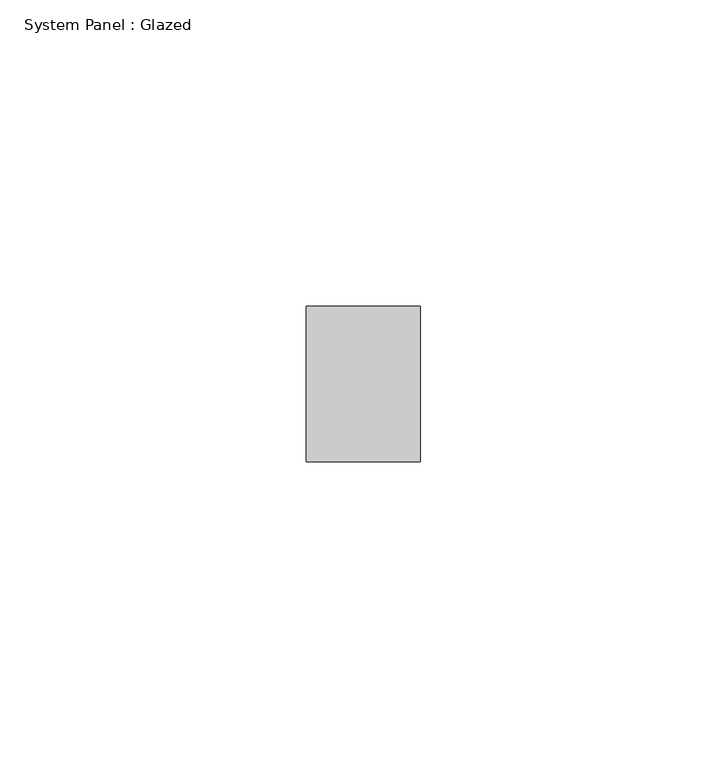
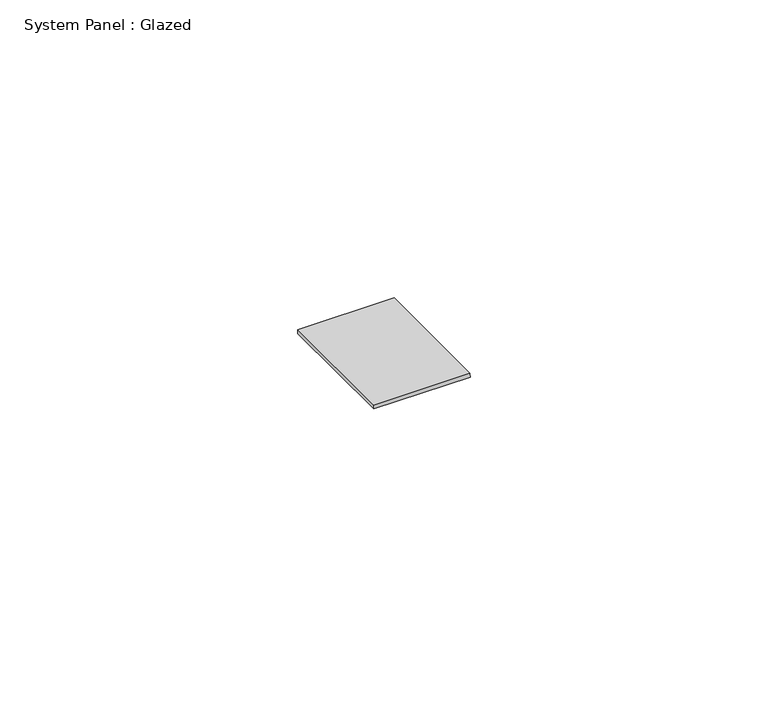
"""IFC4 building model written with IfcOpenShell, lengths in millimetres: plate geometry, System Panel : Glazed."""

from ifc_helpers import new_model, si_unit, origin, place, context, project, spatial, faceted_brep, source, transform, mapped, element, save


def system_panel_glazed_1c99b268(model_context):
    return source(origin(), model_context, "Body", "Brep", [
        faceted_brep([(-9.3282831, -12.7, 0.0), (9.3441581, -12.7, 0.0), (9.3282831, -12.7, 0.7941147), (-9.3282831, -12.7, 0.7941147), (-9.3282831, 12.7, 0.0), (-9.3282831, 12.7, 0.7941147), (9.3282831, 12.7, 0.7941147), (9.3282831, 12.7, 0.0)], [[[0, 1, 2, 3]], [[4, 5, 6, 7]], [[1, 0, 4, 7]], [[2, 1, 7, 6]], [[3, 2, 6, 5]], [[0, 3, 5, 4]]]),
    ])


if __name__ == "__main__":
    model = new_model("IFC4")
    model_context = context("Model", 3, world=origin())
    ifc_project = project(units=[si_unit("LENGTHUNIT", "METRE", prefix="MILLI")], contexts=[model_context])
    site = spatial("IfcSite", under=ifc_project)
    building = spatial("IfcBuilding", under=site)
    placement = place(None, origin())
    system_panel_glazed_shape = system_panel_glazed_1c99b268(model_context)
    element("IfcPlate", 1, ObjectType="System Panel : Glazed", at=placement, inside=building, context=model_context, shape_type="MappedRepresentation", body=[
        mapped(system_panel_glazed_shape, transform((0.0, 0.0, 0.0), x_axis=(1.0, 0.0, 0.0), y_axis=(0.0, 1.0, 0.0), z_axis=(0.0, 0.0, 1.0))),
    ])
    save(model, "model.ifc")
